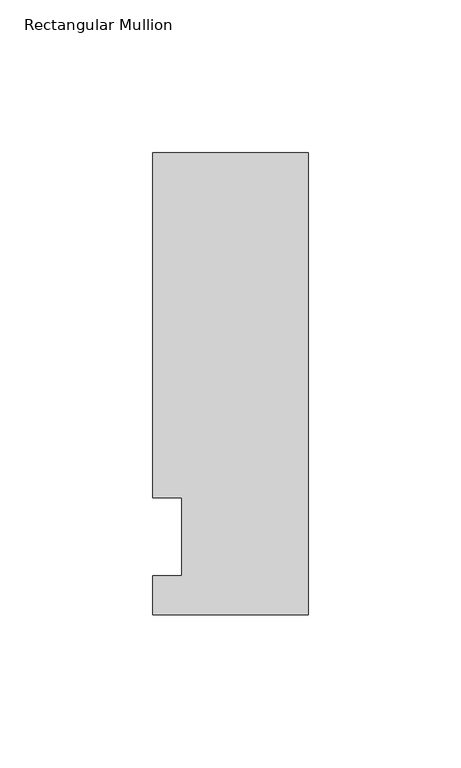
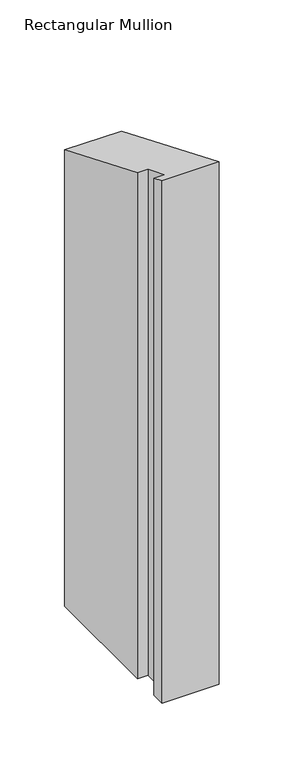
"""IFC4 building model written with IfcOpenShell, lengths in millimetres: member geometry, Rectangular Mullion."""

from ifc_helpers import new_model, si_unit, origin, place, context, project, spatial, faceted_brep, source, transform, mapped, element, save


def rectangular_mullion_a8c0a7fd(model_context):
    return source(origin(), model_context, "Body", "Brep", [
        faceted_brep([(-50.8, -25.5984375, -482.6), (-50.8, -12.7, -482.6), (-41.275, -12.7, -482.6), (-41.275, 12.7, -482.6), (-50.8, 12.7, -482.6), (-50.8, 125.6109375, -482.6), (0.0, 125.6109375, -482.6), (0.0, -25.5984375, -482.6), (0.0, -25.5984375, 10.60322), (-50.8, -25.5984375, 10.60322), (0.0, 125.6109375, -52.0297539), (-50.8, 125.6109375, -52.0297539), (-50.8, 12.7, -5.2605122), (-41.275, 12.7, -5.2605122), (-41.275, -12.7, 5.2605122), (-50.8, -12.7, 5.2605122)], [[[0, 1, 2, 3, 4, 5, 6, 7]], [[8, 9, 0, 7]], [[10, 8, 7, 6]], [[11, 10, 6, 5]], [[12, 11, 5, 4]], [[13, 12, 4, 3]], [[14, 13, 3, 2]], [[15, 14, 2, 1]], [[9, 15, 1, 0]], [[9, 8, 10, 11, 12, 13, 14, 15]]]),
    ])


if __name__ == "__main__":
    model = new_model("IFC4")
    model_context = context("Model", 3, world=origin())
    ifc_project = project(units=[si_unit("LENGTHUNIT", "METRE", prefix="MILLI")], contexts=[model_context])
    site = spatial("IfcSite", under=ifc_project)
    building = spatial("IfcBuilding", under=site)
    placement = place(None, origin())
    rectangular_mullion_shape = rectangular_mullion_a8c0a7fd(model_context)
    element("IfcMember", 1, ObjectType="Rectangular Mullion", at=placement, inside=building, context=model_context, shape_type="MappedRepresentation", body=[
        mapped(rectangular_mullion_shape, transform((0.0, 0.0, 0.0), x_axis=(1.0, 0.0, 0.0), y_axis=(0.0, 1.0, 0.0), z_axis=(0.0, 0.0, 1.0))),
    ])
    save(model, "model.ifc")
